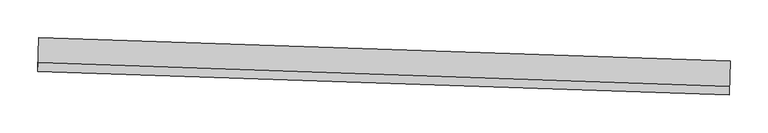
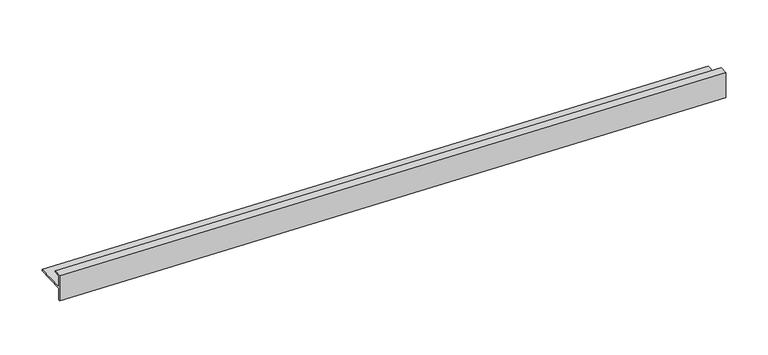
"""IFC4 building model written with IfcOpenShell, lengths in millimetres: proxy geometry."""

import ifcopenshell
import ifcopenshell.guid

model = None  # the IFC model being written
_history = None  # IfcOwnerHistory: only IFC2X3 demands one
_inside = {}  # id of a spatial element -> (the spatial element, [elements in it])
_under = {}  # id of a project, library or spatial element -> (it, [spatial elements below it])
_declared = {}  # id of a project -> (the project, [libraries it declares])
_typed = {}  # id of a type object -> (the type object, [elements of that type])
_made_of = {}  # id of a material, layer set ... -> (it, [elements and type objects made of it])


def new_model(schema):
    """Start an empty IFC model of exactly this schema.

    Asked for "IFC4X3", IfcOpenShell would pick the latest addendum, in which some entities
    have other attributes; the version numbers below select the first issue.
    IFC2X3 requires an IfcOwnerHistory on every rooted entity: one is made here for all.
    """
    global model, _history
    if schema == "IFC4X3":
        model = ifcopenshell.file(schema_version=(4, 3, 0, 0))
    else:
        model = ifcopenshell.file(schema=schema)
    _inside.clear()
    _under.clear()
    _declared.clear()
    _typed.clear()
    _made_of.clear()
    _history = None
    if model.schema == "IFC2X3":
        org = make("IfcOrganization", Name="unknown")
        user = make(
            "IfcPersonAndOrganization",
            ThePerson=make("IfcPerson", FamilyName="unknown"),
            TheOrganization=org,
        )
        app = make(
            "IfcApplication",
            ApplicationDeveloper=org,
            Version="unknown",
            ApplicationFullName="unknown",
            ApplicationIdentifier="unknown",
        )
        _history = make(
            "IfcOwnerHistory",
            OwningUser=user,
            OwningApplication=app,
            ChangeAction="ADDED",
            CreationDate=0,
        )
    return model


def make(cls, **values):
    """One entity of the class cls with the attributes given. An attribute that is None is left unset."""
    return model.create_entity(
        cls, **{name: value for name, value in values.items() if value is not None}
    )


def rooted(cls, **values):
    """An entity with a GlobalId (a new one), such as an element, a storey or a relation."""
    return make(cls, GlobalId=ifcopenshell.guid.new(), OwnerHistory=_history, **values)


def si_unit(unit_type, name, prefix=None):
    """IfcSIUnit, for example si_unit("LENGTHUNIT", "METRE", prefix="MILLI")."""
    return make("IfcSIUnit", UnitType=unit_type, Prefix=prefix, Name=name)


def assignment(units):
    """IfcUnitAssignment: the units of a project."""
    return None if units is None else make("IfcUnitAssignment", Units=units)


def point(xyz):
    """IfcCartesianPoint."""
    return None if xyz is None else make("IfcCartesianPoint", Coordinates=xyz)


def direction(xyz):
    """IfcDirection."""
    return None if xyz is None else make("IfcDirection", DirectionRatios=xyz)


def frame(location, z_axis=None, x_axis=None):
    """IfcAxis2Placement3D, a coordinate frame: its origin and axes. An axis left out is left unset."""
    return make(
        "IfcAxis2Placement3D",
        Location=point(location),
        Axis=direction(z_axis),
        RefDirection=direction(x_axis),
    )


def origin():
    """The frame at (0, 0, 0) with its axes left unset."""
    return frame((0.0, 0.0, 0.0))


def place(relative_to, where):
    """IfcLocalPlacement: puts the frame where relative to a parent placement (None: the world)."""
    return make(
        "IfcLocalPlacement", PlacementRelTo=relative_to, RelativePlacement=where
    )


def context(
    kind, dimensions, precision=None, world=None, true_north=None, identifier=None
):
    """IfcGeometricRepresentationContext, for example the 3D "Model" context."""
    return make(
        "IfcGeometricRepresentationContext",
        ContextIdentifier=identifier,
        ContextType=kind,
        CoordinateSpaceDimension=dimensions,
        Precision=precision,
        WorldCoordinateSystem=world,
        TrueNorth=true_north,
    )


def project(units=None, contexts=None):
    """IfcProject with its units and contexts."""
    return rooted(
        "IfcProject",
        Name="project",
        RepresentationContexts=contexts,
        UnitsInContext=assignment(units),
    )


def spatial(cls, under=None, at=None, **own):
    """A site, building, storey or space (cls), placed at a placement, below another one or the project."""
    s = rooted(cls, ObjectPlacement=at, **own)
    if under is not None:
        _under.setdefault(under.id(), (under, []))[1].append(s)
    return s


def polyline(points):
    """IfcPolyline through the points."""
    return make("IfcPolyline", Points=[point(p) for p in points])


def outline(outer, holes=None, kind="AREA"):
    """IfcArbitraryClosedProfileDef: a profile drawn as a closed curve; with holes, ...WithVoids."""
    if holes is None:
        return make("IfcArbitraryClosedProfileDef", ProfileType=kind, OuterCurve=outer)
    return make(
        "IfcArbitraryProfileDefWithVoids",
        ProfileType=kind,
        OuterCurve=outer,
        InnerCurves=holes,
    )


def extrude(swept, where, along, depth):
    """IfcExtrudedAreaSolid: the profile swept, set in the frame where, extruded along a direction by depth."""
    return make(
        "IfcExtrudedAreaSolid",
        SweptArea=swept,
        Position=where,
        ExtrudedDirection=direction(along),
        Depth=depth,
    )


def shape(context_of_items, identifier, shape_type, items):
    """IfcShapeRepresentation: the items that make up one representation, for example the "Body"."""
    return make(
        "IfcShapeRepresentation",
        ContextOfItems=context_of_items,
        RepresentationIdentifier=identifier,
        RepresentationType=shape_type,
        Items=items,
    )


def source(mapping_origin, context_of_items, identifier, shape_type, items):
    """IfcRepresentationMap: a shape defined once, which mapped items show again and again."""
    return make(
        "IfcRepresentationMap",
        MappingOrigin=mapping_origin,
        MappedRepresentation=shape(context_of_items, identifier, shape_type, items),
    )


def transform(
    local_origin,
    x_axis=None,
    y_axis=None,
    z_axis=None,
    scale=None,
    scale2=None,
    scale3=None,
    uniform=True,
):
    """IfcCartesianTransformationOperator3D, or its non-uniform kind. x_axis, y_axis, z_axis: its Axis1, 2, 3."""
    if uniform:
        return make(
            "IfcCartesianTransformationOperator3D",
            Axis1=direction(x_axis),
            Axis2=direction(y_axis),
            LocalOrigin=point(local_origin),
            Scale=scale,
            Axis3=direction(z_axis),
        )
    return make(
        "IfcCartesianTransformationOperator3DnonUniform",
        Axis1=direction(x_axis),
        Axis2=direction(y_axis),
        LocalOrigin=point(local_origin),
        Scale=scale,
        Axis3=direction(z_axis),
        Scale2=scale2,
        Scale3=scale3,
    )


def mapped(mapping_source, mapping_target):
    """IfcMappedItem: shows the shape of a source again, moved by a transform."""
    return make(
        "IfcMappedItem", MappingSource=mapping_source, MappingTarget=mapping_target
    )


def made_of(thing, what):
    """Note that an element or type object is made of a material, layer set ...; save() writes the relation."""
    if what is not None:
        _made_of.setdefault(what.id(), (what, []))[1].append(thing)
    return thing


def element(
    cls,
    number,
    at=None,
    inside=None,
    cuts=None,
    type_object=None,
    material=None,
    context=None,
    identifier="Body",
    shape_type=None,
    held_by="IfcProductDefinitionShape",
    body=None,
    shapes=None,
    **own,
):
    """One element of the class cls, such as IfcWall. Its Tag is "e" and its number.

    at: its placement. inside: the storey or other place that contains it. cuts: it is an
    opening in that element (IfcRelVoidsElement). A single representation is given by context,
    identifier, shape_type and body (its items); several are given by shapes. held_by: the class
    of the entity that holds the representations. save() writes the other relations.
    """
    e = rooted(cls, Tag="e%d" % number, ObjectPlacement=at, **own)
    if body is not None:
        shapes = [shape(context, identifier, shape_type, body)]
    if shapes is not None:
        e.Representation = make(held_by, Representations=shapes)
    if inside is not None:
        _inside.setdefault(inside.id(), (inside, []))[1].append(e)
    if cuts is not None:
        rooted(
            "IfcRelVoidsElement", RelatingBuildingElement=cuts, RelatedOpeningElement=e
        )
    if type_object is not None:
        _typed.setdefault(type_object.id(), (type_object, []))[1].append(e)
    return made_of(e, material)


def aggregate(whole, parts):
    """IfcRelAggregates: a whole, such as a stair, and the parts it consists of."""
    return rooted("IfcRelAggregates", RelatingObject=whole, RelatedObjects=parts)


def save(model, path):
    """Write the relations noted so far, then the file.

    IfcRelAggregates (storeys below a building ...), IfcRelContainedInSpatialStructure (elements
    in a storey), IfcRelDefinesByType, IfcRelAssociatesMaterial and IfcRelDeclares: one each for
    every whole, place, type object, material and project.
    """
    for whole, parts in _under.values():
        aggregate(whole, parts)
    for where, things in _inside.values():
        rooted(
            "IfcRelContainedInSpatialStructure",
            RelatedElements=things,
            RelatingStructure=where,
        )
    for kind, things in _typed.values():
        rooted("IfcRelDefinesByType", RelatedObjects=things, RelatingType=kind)
    for what, things in _made_of.values():
        rooted("IfcRelAssociatesMaterial", RelatedObjects=things, RelatingMaterial=what)
    for by, libraries in _declared.values():
        rooted("IfcRelDeclares", RelatingContext=by, RelatedDefinitions=libraries)
    model.write(path)


def generic_models_a71dfd2a(model_context):
    return source(origin(), model_context, "Body", "SweptSolid", [
        extrude(outline(polyline([(0.0, 0.0), (36.8810567, 0.0), (36.8810567, -2.2857547), (20.2032517, -2.2857547), (20.2032517, -44.9806366), (17.9159649, -44.9806366), (17.9159649, -2.2871274), (1.6011199, -2.2871274), (1.6011199, -11.8171308), (0.0, -11.8171308), (0.0, 0.0)])), frame((34362.5287967, -15238.0675284, 36.8810567), z_axis=(-0.9994149478931501, 0.034201782522729776, 0.0), x_axis=(0.0, 0.0, -1.0)), (0.0, 0.0, 1.0), 914.4),
    ])


if __name__ == "__main__":
    model = new_model("IFC4")
    model_context = context("Model", 3, world=origin())
    ifc_project = project(units=[si_unit("LENGTHUNIT", "METRE", prefix="MILLI")], contexts=[model_context])
    site = spatial("IfcSite", under=ifc_project)
    building = spatial("IfcBuilding", under=site)
    placement = place(None, origin())
    generic_models_shape = generic_models_a71dfd2a(model_context)
    element("IfcBuildingElementProxy", 1, Name="Generic Models", at=placement, inside=building, context=model_context, shape_type="MappedRepresentation", body=[
        mapped(generic_models_shape, transform((0.0, 0.0, 0.0), x_axis=(1.0, 0.0, 0.0), y_axis=(0.0, 1.0, 0.0), z_axis=(0.0, 0.0, 1.0))),
    ])
    save(model, "model.ifc")
